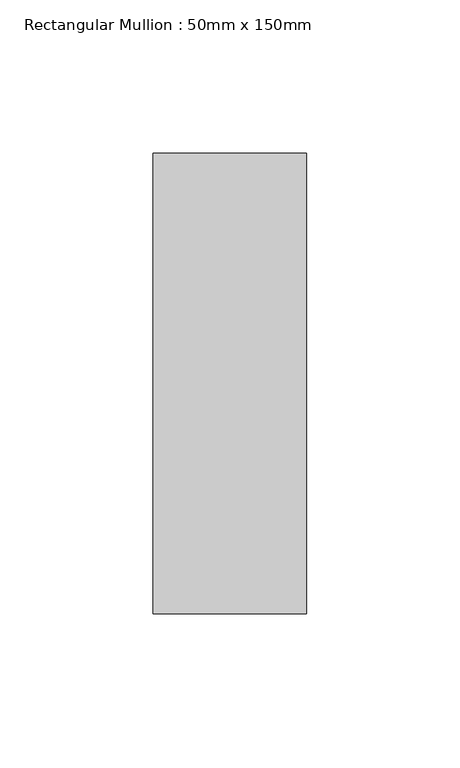
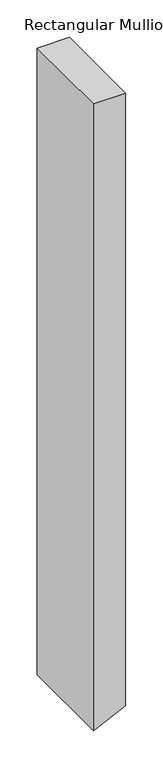
"""IFC4 building model written with IfcOpenShell, lengths in millimetres: member geometry, Rectangular Mullion : 50mm x 150mm."""

from ifc_helpers import new_model, si_unit, frame, origin, place, context, project, spatial, polyline, outline, extrude, source, transform, mapped, element, save


def rectangular_mullion_50mm_x_150mm_de14e1bd(model_context):
    return source(origin(), model_context, "Body", "SweptSolid", [
        extrude(outline(polyline([(0.0, 25.0), (0.0, -25.0), (-1022.5216558, -25.0), (-1020.6851592, -21.0411824), (-999.3266416, 25.0), (0.0, 25.0)])), frame((0.0, -75.0, 0.0), z_axis=(0.0, 1.0, 0.0), x_axis=(0.0, 0.0, 1.0)), (0.0, 0.0, 1.0), 150.0),
    ])


if __name__ == "__main__":
    model = new_model("IFC4")
    model_context = context("Model", 3, world=origin())
    ifc_project = project(units=[si_unit("LENGTHUNIT", "METRE", prefix="MILLI")], contexts=[model_context])
    site = spatial("IfcSite", under=ifc_project)
    building = spatial("IfcBuilding", under=site)
    placement = place(None, origin())
    rectangular_mullion_50mm_x_150mm_shape = rectangular_mullion_50mm_x_150mm_de14e1bd(model_context)
    element("IfcMember", 1, ObjectType="Rectangular Mullion : 50mm x 150mm", at=placement, inside=building, context=model_context, shape_type="MappedRepresentation", body=[
        mapped(rectangular_mullion_50mm_x_150mm_shape, transform((0.0, 0.0, 0.0), x_axis=(1.0, 0.0, 0.0), y_axis=(0.0, 1.0, 0.0), z_axis=(0.0, 0.0, 1.0))),
    ])
    save(model, "model.ifc")
